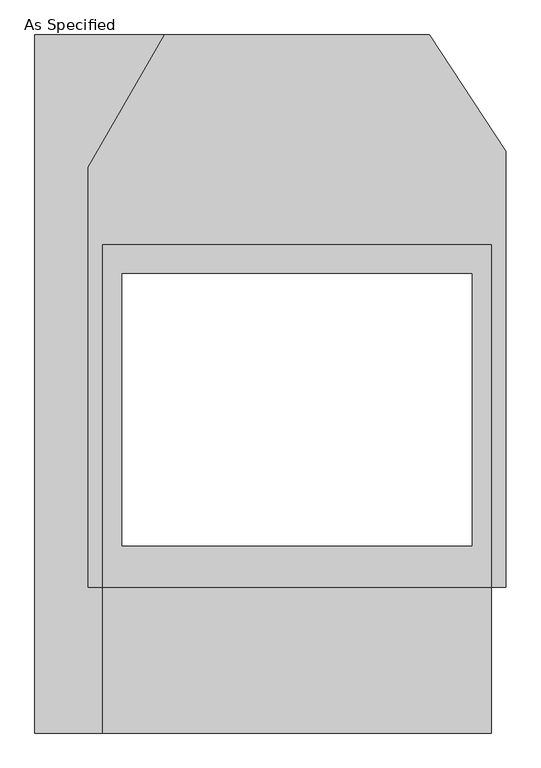
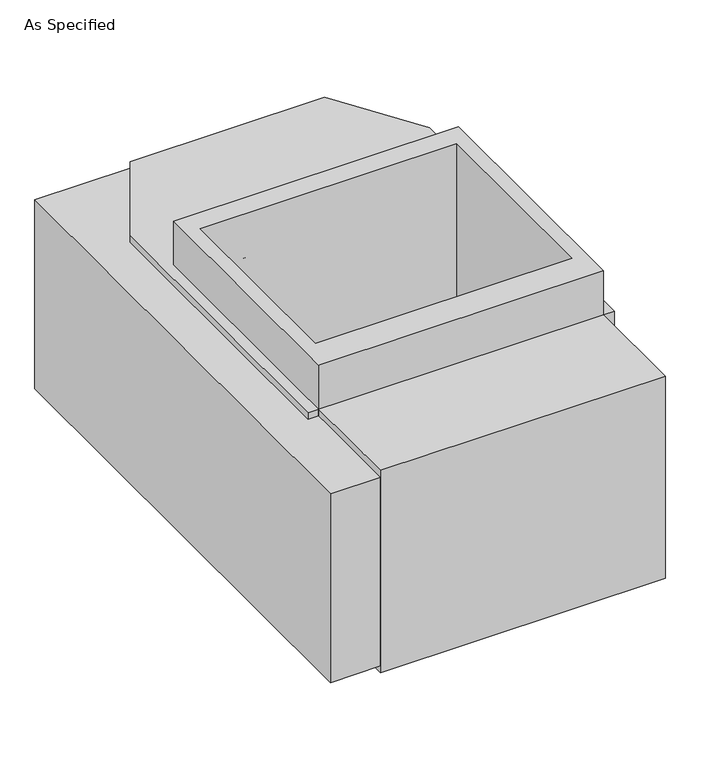
"""IFC4 building model written with IfcOpenShell, lengths in millimetres: proxy geometry, As Specified."""

from ifc_helpers import new_model, si_unit, frame, origin, place, context, project, spatial, polyline, outline, extrude, source, transform, mapped, element, save


def as_specified_4c22a6a2(model_context):
    return source(origin(), model_context, "Body", "SweptSolid", [
        extrude(outline(polyline([(-508.0, -912.5148438), (-685.8, -912.5148438), (-685.8, 912.5148437), (-346.660123, 912.5148437), (-546.1, 567.0748437), (-546.1, -531.5148438), (-508.0, -531.5148438), (-508.0, -912.5148438)])), frame((0.0, 0.0, -762.0), z_axis=(0.0, 0.0, 1.0), x_axis=(1.0, 0.0, 0.0)), (0.0, 0.0, 1.0), 711.2),
        extrude(outline(polyline([(508.0, 363.8351562), (508.0, -531.5148438), (-508.0, -531.5148438), (-508.0, 363.8351562), (508.0, 363.8351562)]), holes=[polyline([(-457.2, 287.6748437), (-457.2, -423.5251563), (457.2, -423.5251563), (457.2, 287.6748437), (-457.2, 287.6748437)])]), frame((0.0, 0.0, -952.5), z_axis=(0.0, 0.0, 1.0), x_axis=(1.0, 0.0, 0.0)), (0.0, 0.0, 1.0), 1092.2),
        extrude(outline(polyline([(508.0, -912.5148438), (-508.0, -912.5148438), (-508.0, -531.5148438), (-546.1, -531.5148438), (-546.1, 567.0748437), (-346.660123, 912.5148437), (346.660123, 912.5148437), (546.1, 608.0233299), (546.1, -531.5148438), (508.0, -531.5148438), (508.0, -912.5148438)]), holes=[polyline([(457.2, -423.5251563), (457.2, 287.6748437), (-457.2, 287.6748437), (-457.2, -423.5251563), (457.2, -423.5251563)])]), frame((0.0, 0.0, -787.4), z_axis=(0.0, 0.0, 1.0), x_axis=(1.0, 0.0, 0.0)), (0.0, 0.0, 1.0), 762.0),
    ])


if __name__ == "__main__":
    model = new_model("IFC4")
    model_context = context("Model", 3, world=origin())
    ifc_project = project(units=[si_unit("LENGTHUNIT", "METRE", prefix="MILLI")], contexts=[model_context])
    site = spatial("IfcSite", under=ifc_project)
    building = spatial("IfcBuilding", under=site)
    placement = place(None, origin())
    as_specified_shape = as_specified_4c22a6a2(model_context)
    element("IfcBuildingElementProxy", 1, Name="As Specified", ObjectType="As Specified", at=placement, inside=building, context=model_context, shape_type="MappedRepresentation", body=[
        mapped(as_specified_shape, transform((0.0, 0.0, 0.0), x_axis=(1.0, 0.0, 0.0), y_axis=(0.0, 1.0, 0.0), z_axis=(0.0, 0.0, 1.0))),
    ])
    save(model, "model.ifc")
